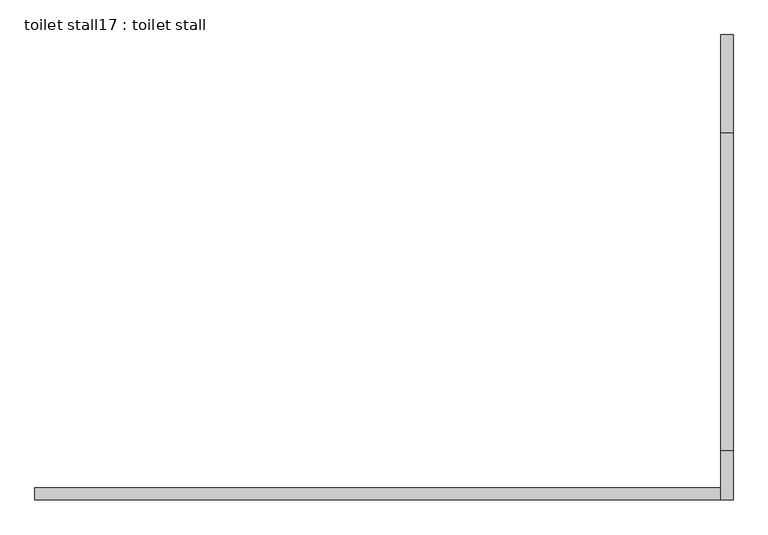
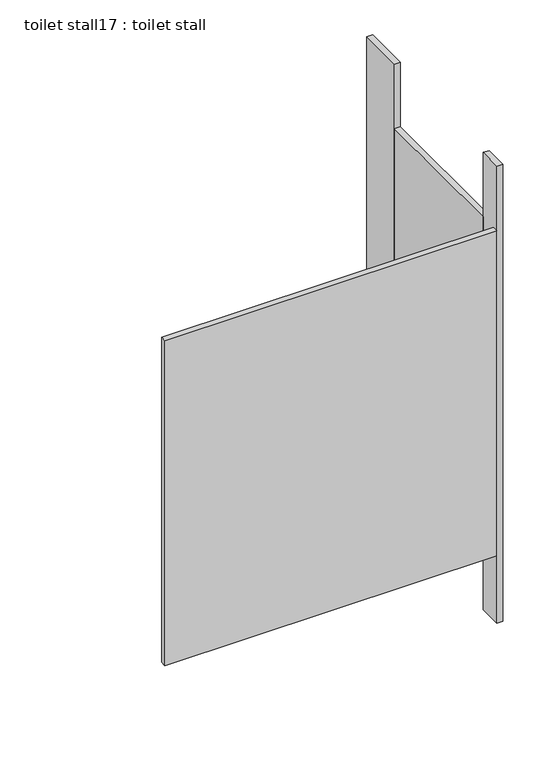
"""IFC4 building model written with IfcOpenShell, lengths in millimetres: proxy geometry, toilet stall17 : toilet stall."""

from ifc_helpers import new_model, si_unit, frame, origin, origin_with_axes, place, context, project, spatial, polyline, outline, extrude, source, transform, mapped, element, save


def toilet_stall17_toilet_stall_3ee90fe8(model_context):
    return source(origin(), model_context, "Body", "SweptSolid", [
        extrude(outline(polyline([(458207.8504676, -271826.8113632), (458207.8504676, -271623.6113632), (458233.2504676, -271623.6113632), (458233.2504676, -271826.8113632), (458207.8504676, -271826.8113632)])), origin_with_axes(), (0.0, 0.0, 1.0), 2070.1),
        extrude(outline(polyline([(458207.8504676, -272588.8113632), (458207.8504676, -272487.2113632), (458233.2504676, -272487.2113632), (458233.2504676, -272588.8113632), (458207.8504676, -272588.8113632)])), origin_with_axes(), (0.0, 0.0, 1.0), 2070.1),
        extrude(outline(polyline([(458207.8504676, -272588.8113632), (456785.4504676, -272588.8113632), (456785.4504676, -272563.4113632), (458207.8504676, -272563.4113632), (458207.8504676, -272588.8113632)])), frame((0.0, 0.0, 304.8), z_axis=(0.0, 0.0, 1.0), x_axis=(1.0, 0.0, 0.0)), (0.0, 0.0, 1.0), 1473.2),
        extrude(outline(polyline([(458207.8504676, -272487.2113632), (458207.8504676, -271826.8113632), (458233.2504676, -271826.8113632), (458233.2504676, -272487.2113632), (458207.8504676, -272487.2113632)])), frame((0.0, 0.0, 304.8), z_axis=(0.0, 0.0, 1.0), x_axis=(1.0, 0.0, 0.0)), (0.0, 0.0, 1.0), 1473.2),
    ])


if __name__ == "__main__":
    model = new_model("IFC4")
    model_context = context("Model", 3, world=origin())
    ifc_project = project(units=[si_unit("LENGTHUNIT", "METRE", prefix="MILLI")], contexts=[model_context])
    site = spatial("IfcSite", under=ifc_project)
    building = spatial("IfcBuilding", under=site)
    placement = place(None, origin())
    toilet_stall17_toilet_stall_shape = toilet_stall17_toilet_stall_3ee90fe8(model_context)
    element("IfcBuildingElementProxy", 1, Name="toilet stall17 : toilet stall", ObjectType="toilet stall17 : toilet stall", at=placement, inside=building, context=model_context, shape_type="MappedRepresentation", body=[
        mapped(toilet_stall17_toilet_stall_shape, transform((0.0, 0.0, 0.0), x_axis=(1.0, 0.0, 0.0), y_axis=(0.0, 1.0, 0.0), z_axis=(0.0, 0.0, 1.0))),
    ])
    save(model, "model.ifc")
